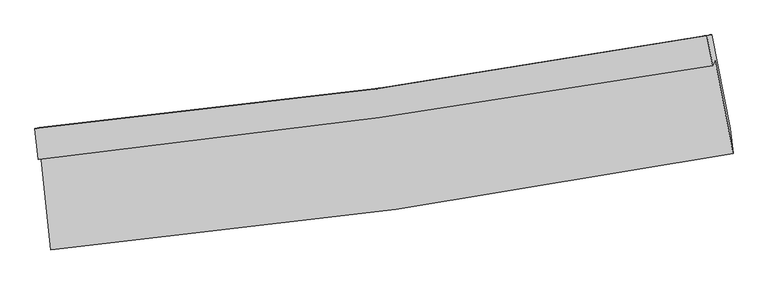
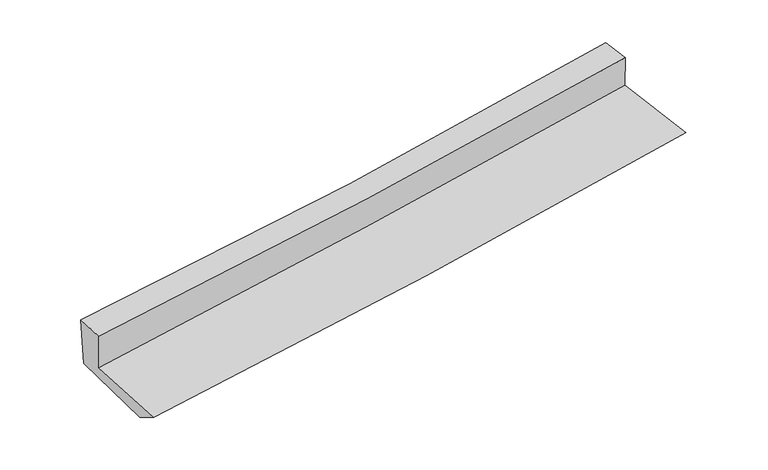
"""IFC4 building model written with IfcOpenShell, lengths in millimetres: proxy geometry."""

from ifc_helpers import new_model, si_unit, frame, origin, place, context, project, spatial, source, transform, mapped, element, save
from ifc_brep_helpers import plane_surface, spline_curve, spline_surface, advanced_brep


def generic_models_e9176b1a(model_context):
    return source(origin(), model_context, "Body", "AdvancedBrep", [
        advanced_brep(
        [(-2304.1040424, -1825.912001, 1723.7764842), (-2237.730012, -2468.5507016, 1672.7517815), (2362.3789527, -1815.0583629, 2060.1367857), (2240.9425177, -1189.4345407, 2120.0366833), (-2322.6034873, -1856.9853333, 2010.8172138), (2225.309934, -1222.1725729, 2376.8448166), (-2344.6797704, -1646.6151394, 2032.1678562), (2186.4513428, -1021.9784517, 2396.012257), (-2316.6114284, -1640.5026469, 1649.9155161), (2217.1584009, -1015.5196962, 2018.776172), (-2247.3037591, -2286.2885426, 1563.8529301), (2341.6680771, -1648.1128638, 1937.8689373)],
        [
            (0, 1),
            (1, 2, spline_curve(3, [(-2237.730012, -2468.5507016, 1672.7517815), (-1460.300973486, -2394.855300488, 1746.824387432), (-684.676079493, -2302.871230423, 1816.403013137), (848.627336972, -2084.368990207, 1945.366353188), (1606.372097825, -1958.522280794, 2004.916062295), (2362.3789527, -1815.0583629, 2060.1367857)], [4, 2, 4], [0.0, 7.675381231830596, 15.20854573892982])),
            (2, 3),
            (3, 0, spline_curve(3, [(2240.9425177, -1189.4345407, 2120.0366833), (1493.565747738, -1318.845530293, 2062.548092434), (744.679499073, -1436.208557963, 2001.128013855), (-770.278488946, -1648.826906371, 1869.191125302), (-1536.407760055, -1743.623031988, 1798.52447072), (-2304.1040424, -1825.912001, 1723.7764842)], [4, 2, 4], [0.0, 7.533164507099223, 15.20854573892982])),
            (4, 0),
            (3, 5),
            (5, 4, spline_curve(3, [(2225.309934, -1222.1725729, 2376.8448166), (1478.248998198, -1351.877487222, 2314.444866188), (729.287685177, -1469.252708573, 2253.018629784), (-786.611024235, -1681.326895044, 2130.972316795), (-1553.620851778, -1775.55592677, 2070.389352425), (-2322.6034873, -1856.9853333, 2010.8172138)], [4, 2, 4], [0.0, 7.487093382057247, 15.115533723622768])),
            (6, 4),
            (5, 7),
            (7, 6, spline_curve(3, [(2186.4513428, -1021.9784517, 2396.012257), (1443.719569416, -1158.846333938, 2333.115895569), (698.315571512, -1279.004309918, 2271.617679405), (-811.959617434, -1487.853419059, 2150.282923823), (-1576.932657062, -1575.907672214, 2090.499672877), (-2344.6797704, -1646.6151394, 2032.1678562)], [4, 2, 4], [0.0, 7.472981343997802, 15.08704322987418])),
            (8, 6),
            (7, 9),
            (9, 8, spline_curve(3, [(2217.1584009, -1015.5196962, 2018.776172), (1473.83460448, -1152.496294146, 1956.40055064), (727.916027089, -1272.737454015, 1894.754899588), (-783.241685383, -1481.702957377, 1771.773525536), (-1548.57971785, -1569.789447382, 1710.465624673), (-2316.6114284, -1640.5026469, 1649.9155161)], [4, 2, 4], [0.0, 7.461271465781845, 15.063402405586213])),
            (10, 8),
            (9, 11),
            (11, 10, spline_curve(3, [(2341.6680771, -1648.1128638, 1937.8689373), (1588.454706423, -1789.335787542, 1874.319578747), (833.030566657, -1912.798893402, 1811.659955478), (-696.542451225, -2126.201015684, 1686.954041692), (-1470.775590066, -2215.46313605, 1624.941662671), (-2247.3037591, -2286.2885426, 1563.8529301)], [4, 2, 4], [0.0, 7.5099505844296885, 15.161679643762657])),
            (1, 10),
            (11, 2),
        ],
        [
            spline_surface(3, 3, [[(-2304.1040424, -1825.912001, 1723.7764842), (-1536.407760178, -1743.623032067, 1798.524470837), (-770.278488879, -1648.826906327, 1869.191125238), (744.679499007, -1436.208558006, 2001.128013918), (1493.565747771, -1318.845530314, 2062.548092543), (2240.9425177, -1189.4345407, 2120.0366833)], [(-2281.979365612, -2040.124901208, 1706.768249969), (-1511.038831323, -1960.700454869, 1781.29110973), (-741.744352433, -1866.841681028, 1851.595087822), (779.328778336, -1652.262035413, 1982.54079367), (1531.167864474, -1532.071113774, 2043.337415841), (2281.421329386, -1397.97581476, 2100.070050779)], [(-2259.854688788, -2254.337801392, 1689.760015731), (-1485.669902432, -2177.777877645, 1764.057748616), (-713.210215974, -2084.856455715, 1833.999050486), (813.978057677, -1868.315512807, 1963.953573502), (1568.769981118, -1745.296697252, 2024.126739102), (2321.900141014, -1606.51708884, 2080.103418221)], [(-2237.730012, -2468.5507016, 1672.7517815), (-1460.300973577, -2394.855300447, 1746.82438751), (-684.676079527, -2302.871230415, 1816.40301307), (848.627337006, -2084.368990214, 1945.366353254), (1606.372097821, -1958.522280711, 2004.9160624), (2362.3789527, -1815.0583629, 2060.1367857)]], [4, 4], [4, 2, 4], [0.0, 2.166091403700028], [0.0, 7.675381231830596, 15.20854573892982]),
            spline_surface(3, 3, [[(-2322.6034873, -1856.9853333, 2010.8172138), (-1553.620851865, -1775.55592679, 2070.389352302), (-786.611024362, -1681.326894923, 2130.972316804), (729.287685301, -1469.252708692, 2253.018629775), (1478.248998184, -1351.877487132, 2314.444866216), (2225.309934, -1222.1725729, 2376.8448166)], [(-2316.437005649, -1846.627555854, 1915.136970603), (-1547.883154618, -1764.911628536, 1979.76772515), (-781.166845864, -1670.493565382, 2043.711919637), (734.418289874, -1458.237991787, 2169.055091177), (1483.35458136, -1340.866834865, 2230.479275004), (2230.520795214, -1211.259895506, 2291.242105512)], [(-2310.270524051, -1836.269778446, 1819.456727397), (-1542.145457425, -1754.26733032, 1889.146097989), (-775.722667377, -1659.660235868, 1956.451522406), (739.548894435, -1447.223274911, 2085.091552516), (1488.460164595, -1329.856182581, 2146.513683755), (2235.731656486, -1200.347218094, 2205.639394388)], [(-2304.1040424, -1825.912001, 1723.7764842), (-1536.407760178, -1743.623032067, 1798.524470837), (-770.278488879, -1648.826906327, 1869.191125238), (744.679499007, -1436.208558006, 2001.128013918), (1493.565747771, -1318.845530314, 2062.548092543), (2240.9425177, -1189.4345407, 2120.0366833)]], [4, 4], [4, 2, 4], [0.0, 0.851366468326326], [0.0, 7.628440341565521, 15.115533723622768]),
            spline_surface(3, 3, [[(-2344.6797704, -1646.6151394, 2032.1678562), (-1576.932657056, -1575.907672334, 2090.49967295), (-811.959617369, -1487.853418997, 2150.28292375), (698.315571448, -1279.004309979, 2271.617679476), (1443.719569488, -1158.846334046, 2333.115895582), (2186.4513428, -1021.9784517, 2396.012257)], [(-2337.321009365, -1716.738537384, 2025.050975406), (-1569.162055324, -1642.457090503, 2083.79623274), (-803.510086374, -1552.344577655, 2143.846054756), (708.639609392, -1342.420442899, 2265.41799623), (1455.229379075, -1223.190051721, 2326.892219114), (2199.404206555, -1088.709825413, 2389.623110187)], [(-2329.962248335, -1786.861935316, 2017.934094594), (-1561.391453597, -1709.00650862, 2077.092792512), (-795.060555357, -1616.835736265, 2137.409185798), (718.963647357, -1405.836575772, 2259.218313021), (1466.739188598, -1287.533769457, 2320.668542684), (2212.357070245, -1155.441199187, 2383.233963413)], [(-2322.6034873, -1856.9853333, 2010.8172138), (-1553.620851865, -1775.55592679, 2070.389352302), (-786.611024362, -1681.326894923, 2130.972316804), (729.287685301, -1469.252708692, 2253.018629775), (1478.248998184, -1351.877487132, 2314.444866216), (2225.309934, -1222.1725729, 2376.8448166)]], [4, 4], [4, 2, 4], [0.0, 0.6393198047268805], [0.0, 7.614061885876378, 15.08704322987418]),
            spline_surface(3, 3, [[(-2316.6114284, -1640.5026469, 1649.9155161), (-1548.579717869, -1569.789447433, 1710.465624746), (-783.241685419, -1481.702957257, 1771.773525582), (727.916027125, -1272.737454133, 1894.754899542), (1473.834604419, -1152.496294053, 1956.400550711), (2217.1584009, -1015.5196962, 2018.776172)], [(-2325.967542415, -1642.540144384, 1777.332962781), (-1558.030697613, -1571.828855717, 1837.143640795), (-792.814329385, -1483.753111151, 1897.943324987), (718.049208583, -1274.826406062, 2020.375826203), (1463.79625942, -1154.612974042, 2081.972332349), (2206.922714845, -1017.672614691, 2144.521533681)], [(-2335.323656385, -1644.577641916, 1904.750409519), (-1567.481677312, -1573.86826405, 1963.821656901), (-802.386973403, -1485.803265103, 2024.113124345), (708.18238999, -1276.91535805, 2145.996752816), (1453.757914487, -1156.729654058, 2207.544113945), (2196.687028855, -1019.825533209, 2270.266895319)], [(-2344.6797704, -1646.6151394, 2032.1678562), (-1576.932657056, -1575.907672334, 2090.49967295), (-811.959617369, -1487.853418997, 2150.28292375), (698.315571448, -1279.004309979, 2271.617679476), (1443.719569488, -1158.846334046, 2333.115895582), (2186.4513428, -1021.9784517, 2396.012257)]], [4, 4], [4, 2, 4], [0.0, 1.2430307914815595], [0.0, 7.602130939804368, 15.063402405586213]),
            spline_surface(3, 3, [[(-2247.3037591, -2286.2885426, 1563.8529301), (-1470.775589981, -2215.463136051, 1624.941662544), (-696.542451128, -2126.201015679, 1686.954041741), (833.030566562, -1912.798893407, 1811.659955429), (1588.45470643, -1789.335787478, 1874.319578644), (2341.6680771, -1648.1128638, 1937.8689373)], [(-2270.406315522, -2071.026577375, 1592.540458766), (-1496.710299266, -2000.238573186, 1653.449649944), (-725.442195896, -1911.368329532, 1715.227203001), (797.992386745, -1699.445080309, 1839.358270113), (1550.248005775, -1577.055956339, 1901.679902652), (2300.164851715, -1437.248474602, 1964.838015519)], [(-2293.508871978, -1855.764612125, 1621.227987434), (-1522.645008584, -1785.014010297, 1681.957637346), (-754.341940651, -1696.535643404, 1743.500364323), (762.954206942, -1486.09126723, 1867.056584858), (1512.041305074, -1364.776125193, 1929.040226703), (2258.661626285, -1226.384085398, 1991.807093781)], [(-2316.6114284, -1640.5026469, 1649.9155161), (-1548.579717869, -1569.789447433, 1710.465624746), (-783.241685419, -1481.702957257, 1771.773525582), (727.916027125, -1272.737454133, 1894.754899542), (1473.834604419, -1152.496294053, 1956.400550711), (2217.1584009, -1015.5196962, 2018.776172)]], [4, 4], [4, 2, 4], [0.0, 2.148368724386226], [0.0, 7.651729059332968, 15.161679643762657]),
            spline_surface(3, 3, [[(-2237.730012, -2468.5507016, 1672.7517815), (-1460.300973577, -2394.855300447, 1746.82438751), (-684.676079527, -2302.871230415, 1816.40301307), (848.627337006, -2084.368990214, 1945.366353254), (1606.372097821, -1958.522280711, 2004.9160624), (2362.3789527, -1815.0583629, 2060.1367857)], [(-2240.921261037, -2407.796648595, 1636.452164375), (-1463.792512382, -2335.05791231, 1706.196812529), (-688.631536733, -2243.981158851, 1773.253355983), (843.428413519, -2027.17895796, 1900.797554002), (1600.399634009, -1902.126782995, 1961.383901137), (2355.475327485, -1759.409863228, 2019.380836222)], [(-2244.112510063, -2347.042595605, 1600.152547225), (-1467.284051176, -2275.260524188, 1665.569237524), (-692.586993923, -2185.091087243, 1730.103698828), (838.229490049, -1969.988925661, 1856.228754681), (1594.427170242, -1845.731285195, 1917.851739907), (2348.571702315, -1703.761363472, 1978.624886778)], [(-2247.3037591, -2286.2885426, 1563.8529301), (-1470.775589981, -2215.463136051, 1624.941662544), (-696.542451128, -2126.201015679, 1686.954041741), (833.030566562, -1912.798893407, 1811.659955429), (1588.45470643, -1789.335787478, 1874.319578644), (2341.6680771, -1648.1128638, 1937.8689373)]], [4, 4], [4, 2, 4], [0.0, 0.7174762549567412], [0.0, 7.710541707960379, 15.278215204624205]),
            plane_surface(frame((2262.3182042, -1318.712748, 2151.6126086), z_axis=(0.9797553752509455, 0.18224042782528557, 0.08287237858862291), x_axis=(-0.08111995290019784, -0.01706232934564695, 0.9965582924037963))),
            plane_surface(frame((-2295.5054166, -1954.1423941, 1775.5469636), z_axis=(-0.9925364551144741, -0.09660343084323388, -0.07442554949820689), x_axis=(-0.10241814101145473, 0.9916206790415306, 0.07873343183788883))),
        ],
        [
            (0, [[1, 2, 3, 4]]),
            (1, [[5, -4, 6, 7]]),
            (2, [[8, -7, 9, 10]]),
            (3, [[11, -10, 12, 13]]),
            (4, [[14, -13, 15, 16]]),
            (5, [[17, -16, 18, -2]]),
            (6, [[-12, -9, -6, -3, -18, -15]]),
            (7, [[-1, -5, -8, -11, -14, -17]]),
        ],
    ),
    ])


if __name__ == "__main__":
    model = new_model("IFC4")
    model_context = context("Model", 3, world=origin())
    ifc_project = project(units=[si_unit("LENGTHUNIT", "METRE", prefix="MILLI")], contexts=[model_context])
    site = spatial("IfcSite", under=ifc_project)
    building = spatial("IfcBuilding", under=site)
    placement = place(None, origin())
    generic_models_shape = generic_models_e9176b1a(model_context)
    element("IfcBuildingElementProxy", 1, Name="Generic Models", at=placement, inside=building, context=model_context, shape_type="MappedRepresentation", body=[
        mapped(generic_models_shape, transform((0.0, 0.0, 0.0), x_axis=(1.0, 0.0, 0.0), y_axis=(0.0, 1.0, 0.0), z_axis=(0.0, 0.0, 1.0))),
    ])
    save(model, "model.ifc")
